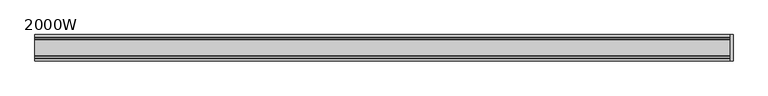
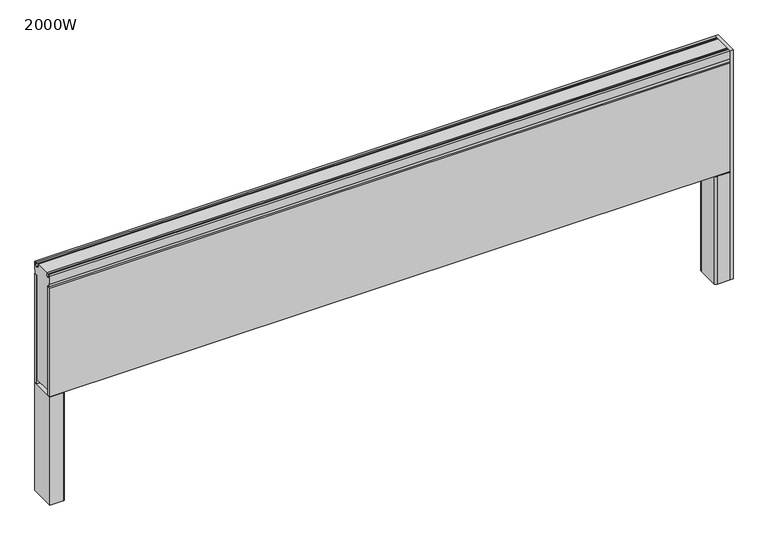
"""IFC4 building model written with IfcOpenShell, lengths in millimetres: furniture geometry, 2000W."""

import ifcopenshell
import ifcopenshell.guid

model = None  # the IFC model being written
_history = None  # IfcOwnerHistory: only IFC2X3 demands one
_inside = {}  # id of a spatial element -> (the spatial element, [elements in it])
_under = {}  # id of a project, library or spatial element -> (it, [spatial elements below it])
_declared = {}  # id of a project -> (the project, [libraries it declares])
_typed = {}  # id of a type object -> (the type object, [elements of that type])
_made_of = {}  # id of a material, layer set ... -> (it, [elements and type objects made of it])


def new_model(schema):
    """Start an empty IFC model of exactly this schema.

    Asked for "IFC4X3", IfcOpenShell would pick the latest addendum, in which some entities
    have other attributes; the version numbers below select the first issue.
    IFC2X3 requires an IfcOwnerHistory on every rooted entity: one is made here for all.
    """
    global model, _history
    if schema == "IFC4X3":
        model = ifcopenshell.file(schema_version=(4, 3, 0, 0))
    else:
        model = ifcopenshell.file(schema=schema)
    _inside.clear()
    _under.clear()
    _declared.clear()
    _typed.clear()
    _made_of.clear()
    _history = None
    if model.schema == "IFC2X3":
        org = make("IfcOrganization", Name="unknown")
        user = make(
            "IfcPersonAndOrganization",
            ThePerson=make("IfcPerson", FamilyName="unknown"),
            TheOrganization=org,
        )
        app = make(
            "IfcApplication",
            ApplicationDeveloper=org,
            Version="unknown",
            ApplicationFullName="unknown",
            ApplicationIdentifier="unknown",
        )
        _history = make(
            "IfcOwnerHistory",
            OwningUser=user,
            OwningApplication=app,
            ChangeAction="ADDED",
            CreationDate=0,
        )
    return model


def make(cls, **values):
    """One entity of the class cls with the attributes given. An attribute that is None is left unset."""
    return model.create_entity(
        cls, **{name: value for name, value in values.items() if value is not None}
    )


def rooted(cls, **values):
    """An entity with a GlobalId (a new one), such as an element, a storey or a relation."""
    return make(cls, GlobalId=ifcopenshell.guid.new(), OwnerHistory=_history, **values)


def si_unit(unit_type, name, prefix=None):
    """IfcSIUnit, for example si_unit("LENGTHUNIT", "METRE", prefix="MILLI")."""
    return make("IfcSIUnit", UnitType=unit_type, Prefix=prefix, Name=name)


def assignment(units):
    """IfcUnitAssignment: the units of a project."""
    return None if units is None else make("IfcUnitAssignment", Units=units)


def point(xyz):
    """IfcCartesianPoint."""
    return None if xyz is None else make("IfcCartesianPoint", Coordinates=xyz)


def direction(xyz):
    """IfcDirection."""
    return None if xyz is None else make("IfcDirection", DirectionRatios=xyz)


def frame(location, z_axis=None, x_axis=None):
    """IfcAxis2Placement3D, a coordinate frame: its origin and axes. An axis left out is left unset."""
    return make(
        "IfcAxis2Placement3D",
        Location=point(location),
        Axis=direction(z_axis),
        RefDirection=direction(x_axis),
    )


def frame_2d(location, x_axis=None):
    """IfcAxis2Placement2D, a coordinate frame in the plane: its origin and x axis."""
    return make(
        "IfcAxis2Placement2D", Location=point(location), RefDirection=direction(x_axis)
    )


def origin():
    """The frame at (0, 0, 0) with its axes left unset."""
    return frame((0.0, 0.0, 0.0))


def origin_with_axes():
    """The frame at (0, 0, 0) with the z axis (0, 0, 1) and the x axis (1, 0, 0) written out."""
    return frame((0.0, 0.0, 0.0), z_axis=(0.0, 0.0, 1.0), x_axis=(1.0, 0.0, 0.0))


def place(relative_to, where):
    """IfcLocalPlacement: puts the frame where relative to a parent placement (None: the world)."""
    return make(
        "IfcLocalPlacement", PlacementRelTo=relative_to, RelativePlacement=where
    )


def context(
    kind, dimensions, precision=None, world=None, true_north=None, identifier=None
):
    """IfcGeometricRepresentationContext, for example the 3D "Model" context."""
    return make(
        "IfcGeometricRepresentationContext",
        ContextIdentifier=identifier,
        ContextType=kind,
        CoordinateSpaceDimension=dimensions,
        Precision=precision,
        WorldCoordinateSystem=world,
        TrueNorth=true_north,
    )


def project(units=None, contexts=None):
    """IfcProject with its units and contexts."""
    return rooted(
        "IfcProject",
        Name="project",
        RepresentationContexts=contexts,
        UnitsInContext=assignment(units),
    )


def spatial(cls, under=None, at=None, **own):
    """A site, building, storey or space (cls), placed at a placement, below another one or the project."""
    s = rooted(cls, ObjectPlacement=at, **own)
    if under is not None:
        _under.setdefault(under.id(), (under, []))[1].append(s)
    return s


def polyline(points):
    """IfcPolyline through the points."""
    return make("IfcPolyline", Points=[point(p) for p in points])


def circle_curve(where, radius):
    """IfcCircle in the frame where."""
    return make("IfcCircle", Position=where, Radius=radius)


def trimmed(basis, trim1, trim2, sense, master):
    """IfcTrimmedCurve: the piece of a basis curve between two trims."""
    return make(
        "IfcTrimmedCurve",
        BasisCurve=basis,
        Trim1=trim1,
        Trim2=trim2,
        SenseAgreement=sense,
        MasterRepresentation=master,
    )


def segment(curve, same_sense, transition):
    """IfcCompositeCurveSegment."""
    return make(
        "IfcCompositeCurveSegment",
        Transition=transition,
        SameSense=same_sense,
        ParentCurve=curve,
    )


def composite_curve(segments, self_intersect=None):
    """IfcCompositeCurve: segments joined end to end."""
    return make("IfcCompositeCurve", Segments=segments, SelfIntersect=self_intersect)


def outline(outer, holes=None, kind="AREA"):
    """IfcArbitraryClosedProfileDef: a profile drawn as a closed curve; with holes, ...WithVoids."""
    if holes is None:
        return make("IfcArbitraryClosedProfileDef", ProfileType=kind, OuterCurve=outer)
    return make(
        "IfcArbitraryProfileDefWithVoids",
        ProfileType=kind,
        OuterCurve=outer,
        InnerCurves=holes,
    )


def extrude(swept, where, along, depth):
    """IfcExtrudedAreaSolid: the profile swept, set in the frame where, extruded along a direction by depth."""
    return make(
        "IfcExtrudedAreaSolid",
        SweptArea=swept,
        Position=where,
        ExtrudedDirection=direction(along),
        Depth=depth,
    )


def shape(context_of_items, identifier, shape_type, items):
    """IfcShapeRepresentation: the items that make up one representation, for example the "Body"."""
    return make(
        "IfcShapeRepresentation",
        ContextOfItems=context_of_items,
        RepresentationIdentifier=identifier,
        RepresentationType=shape_type,
        Items=items,
    )


def source(mapping_origin, context_of_items, identifier, shape_type, items):
    """IfcRepresentationMap: a shape defined once, which mapped items show again and again."""
    return make(
        "IfcRepresentationMap",
        MappingOrigin=mapping_origin,
        MappedRepresentation=shape(context_of_items, identifier, shape_type, items),
    )


def transform(
    local_origin,
    x_axis=None,
    y_axis=None,
    z_axis=None,
    scale=None,
    scale2=None,
    scale3=None,
    uniform=True,
):
    """IfcCartesianTransformationOperator3D, or its non-uniform kind. x_axis, y_axis, z_axis: its Axis1, 2, 3."""
    if uniform:
        return make(
            "IfcCartesianTransformationOperator3D",
            Axis1=direction(x_axis),
            Axis2=direction(y_axis),
            LocalOrigin=point(local_origin),
            Scale=scale,
            Axis3=direction(z_axis),
        )
    return make(
        "IfcCartesianTransformationOperator3DnonUniform",
        Axis1=direction(x_axis),
        Axis2=direction(y_axis),
        LocalOrigin=point(local_origin),
        Scale=scale,
        Axis3=direction(z_axis),
        Scale2=scale2,
        Scale3=scale3,
    )


def mapped(mapping_source, mapping_target):
    """IfcMappedItem: shows the shape of a source again, moved by a transform."""
    return make(
        "IfcMappedItem", MappingSource=mapping_source, MappingTarget=mapping_target
    )


def made_of(thing, what):
    """Note that an element or type object is made of a material, layer set ...; save() writes the relation."""
    if what is not None:
        _made_of.setdefault(what.id(), (what, []))[1].append(thing)
    return thing


def element(
    cls,
    number,
    at=None,
    inside=None,
    cuts=None,
    type_object=None,
    material=None,
    context=None,
    identifier="Body",
    shape_type=None,
    held_by="IfcProductDefinitionShape",
    body=None,
    shapes=None,
    **own,
):
    """One element of the class cls, such as IfcWall. Its Tag is "e" and its number.

    at: its placement. inside: the storey or other place that contains it. cuts: it is an
    opening in that element (IfcRelVoidsElement). A single representation is given by context,
    identifier, shape_type and body (its items); several are given by shapes. held_by: the class
    of the entity that holds the representations. save() writes the other relations.
    """
    e = rooted(cls, Tag="e%d" % number, ObjectPlacement=at, **own)
    if body is not None:
        shapes = [shape(context, identifier, shape_type, body)]
    if shapes is not None:
        e.Representation = make(held_by, Representations=shapes)
    if inside is not None:
        _inside.setdefault(inside.id(), (inside, []))[1].append(e)
    if cuts is not None:
        rooted(
            "IfcRelVoidsElement", RelatingBuildingElement=cuts, RelatedOpeningElement=e
        )
    if type_object is not None:
        _typed.setdefault(type_object.id(), (type_object, []))[1].append(e)
    return made_of(e, material)


def aggregate(whole, parts):
    """IfcRelAggregates: a whole, such as a stair, and the parts it consists of."""
    return rooted("IfcRelAggregates", RelatingObject=whole, RelatedObjects=parts)


def save(model, path):
    """Write the relations noted so far, then the file.

    IfcRelAggregates (storeys below a building ...), IfcRelContainedInSpatialStructure (elements
    in a storey), IfcRelDefinesByType, IfcRelAssociatesMaterial and IfcRelDeclares: one each for
    every whole, place, type object, material and project.
    """
    for whole, parts in _under.values():
        aggregate(whole, parts)
    for where, things in _inside.values():
        rooted(
            "IfcRelContainedInSpatialStructure",
            RelatedElements=things,
            RelatingStructure=where,
        )
    for kind, things in _typed.values():
        rooted("IfcRelDefinesByType", RelatedObjects=things, RelatingType=kind)
    for what, things in _made_of.values():
        rooted("IfcRelAssociatesMaterial", RelatedObjects=things, RelatingMaterial=what)
    for by, libraries in _declared.values():
        rooted("IfcRelDeclares", RelatingContext=by, RelatedDefinitions=libraries)
    model.write(path)


def furniture_2000w_1810b5ea(model_context):
    return source(origin(), model_context, "Body", "SweptSolid", [
        extrude(outline(polyline([(2008.0, -38.1), (2000.0, -38.1), (2000.0, 38.1), (2008.0, 38.1), (2008.0, -38.1)])), frame((0.0, 0.0, 8.0), z_axis=(0.0, 0.0, 1.0), x_axis=(1.0, 0.0, 0.0)), (0.0, 0.0, 1.0), 712.0),
        extrude(outline(composite_curve([segment(trimmed(circle_curve(frame_2d((1977.5, 0.0)), 15.0), [point((1962.5, 0.0))], [point((1992.5, 0.0))], False, "CARTESIAN"), True, "CONTINUOUS"), segment(trimmed(circle_curve(frame_2d((1977.5, 0.0)), 15.0), [point((1992.5, 0.0))], [point((1962.5, 0.0))], False, "CARTESIAN"), True, "CONTINUOUS")], self_intersect=False)), origin_with_axes(), (0.0, 0.0, 1.0), 8.0002594),
        extrude(outline(composite_curve([segment(trimmed(circle_curve(frame_2d((22.5, 0.0)), 15.0), [point((7.5, 0.0))], [point((37.5, 0.0))], False, "CARTESIAN"), True, "CONTINUOUS"), segment(trimmed(circle_curve(frame_2d((22.5, 0.0)), 15.0), [point((37.5, 0.0))], [point((7.5, 0.0))], False, "CARTESIAN"), True, "CONTINUOUS")], self_intersect=False)), origin_with_axes(), (0.0, 0.0, 1.0), 8.0002594),
        extrude(outline(composite_curve([segment(trimmed(circle_curve(frame_2d((39.0, 32.1)), 6.0), [point((39.0, 38.1))], [point((45.0, 32.1))], False, "CARTESIAN"), True, "CONTINUOUS"), segment(polyline([(45.0, 32.1), (45.0, -32.1)]), True, "CONTINUOUS"), segment(trimmed(circle_curve(frame_2d((39.0, -32.1)), 6.0), [point((45.0, -32.1))], [point((39.0, -38.1))], False, "CARTESIAN"), True, "CONTINUOUS"), segment(polyline([(39.0, -38.1), (0.0, -38.1), (0.0, 38.1), (39.0, 38.1)]), True, "CONTINUOUS")], self_intersect=False)), frame((0.0, 0.0, 8.0002594), z_axis=(0.0, 0.0, 1.0), x_axis=(1.0, 0.0, 0.0)), (0.0, 0.0, 1.0), 334.9996758),
        extrude(outline(composite_curve([segment(polyline([(1961.0, 38.1), (2000.0, 38.1), (2000.0, -38.1), (1961.0, -38.1)]), True, "CONTINUOUS"), segment(trimmed(circle_curve(frame_2d((1961.0, -32.1)), 6.0), [point((1961.0, -38.1))], [point((1955.0, -32.1))], False, "CARTESIAN"), True, "CONTINUOUS"), segment(polyline([(1955.0, -32.1), (1955.0, 32.1)]), True, "CONTINUOUS"), segment(trimmed(circle_curve(frame_2d((1961.0, 32.1)), 6.0), [point((1955.0, 32.1))], [point((1961.0, 38.1))], False, "CARTESIAN"), True, "CONTINUOUS")], self_intersect=False)), frame((0.0, 0.0, 8.0002594), z_axis=(0.0, 0.0, 1.0), x_axis=(1.0, 0.0, 0.0)), (0.0, 0.0, 1.0), 334.9996758),
        extrude(outline(polyline([(2000.0, 38.1), (2000.0, 28.1), (0.0, 28.1), (0.0, 38.1), (2000.0, 38.1)])), frame((0.0, 0.0, 345.0), z_axis=(0.0, 0.0, 1.0), x_axis=(1.0, 0.0, 0.0)), (0.0, 0.0, 1.0), 337.5),
        extrude(outline(polyline([(2000.0, -28.1), (2000.0, -38.1), (0.0, -38.1), (0.0, -28.1), (2000.0, -28.1)])), frame((0.0, 0.0, 345.0), z_axis=(0.0, 0.0, 1.0), x_axis=(1.0, 0.0, 0.0)), (0.0, 0.0, 1.0), 337.5),
        extrude(outline(polyline([(31.7499023, 716.2360382), (31.7499023, 720.0000763), (38.1, 720.0000763), (38.1, 695.0), (35.6, 695.0), (35.6, 684.5), (25.0, 684.5), (25.0, 360.0), (-25.0, 360.0), (-25.0, 684.5), (-35.6, 684.5), (-35.6, 695.0), (-38.1, 695.0), (-38.1, 720.0000763), (-31.7499023, 720.0000763), (-31.7499023, 716.2360382), (-35.6, 716.2360382), (-35.6, 712.4537311), (-30.1623779, 709.3140768), (-30.1623779, 707.6000214), (-23.8122803, 707.6000214), (-23.8122803, 709.3141152), (-18.4149414, 712.4303228), (-18.4149414, 716.2362035), (-22.2247559, 716.2360132), (-22.2247559, 720.0000763), (22.2247559, 720.0000763), (22.2247559, 716.2360132), (18.4149414, 716.2362035), (18.4149414, 712.4303228), (23.8122803, 709.3141152), (23.8122803, 707.6000214), (30.1623779, 707.6000214), (30.1623779, 709.3140768), (35.6, 712.4537311), (35.6, 716.2360382), (31.7499023, 716.2360382)])), frame((0.0, 0.0, 0.0), z_axis=(1.0, 0.0, 0.0), x_axis=(0.0, 1.0, 0.0)), (0.0, 0.0, 1.0), 2000.0),
    ])


if __name__ == "__main__":
    model = new_model("IFC4")
    model_context = context("Model", 3, world=origin())
    ifc_project = project(units=[si_unit("LENGTHUNIT", "METRE", prefix="MILLI")], contexts=[model_context])
    site = spatial("IfcSite", under=ifc_project)
    building = spatial("IfcBuilding", under=site)
    placement = place(None, origin())
    furniture_2000w_shape = furniture_2000w_1810b5ea(model_context)
    element("IfcFurniture", 1, ObjectType="2000W", at=placement, inside=building, context=model_context, shape_type="MappedRepresentation", body=[
        mapped(furniture_2000w_shape, transform((0.0, 0.0, 0.0), x_axis=(1.0, 0.0, 0.0), y_axis=(0.0, 1.0, 0.0), z_axis=(0.0, 0.0, 1.0))),
    ])
    save(model, "model.ifc")
